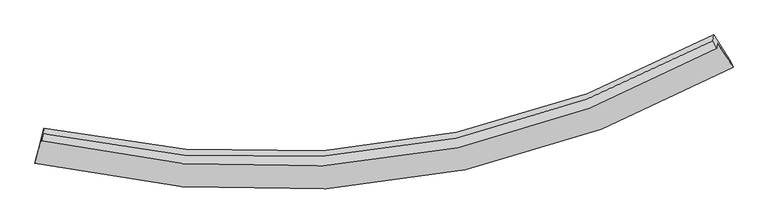
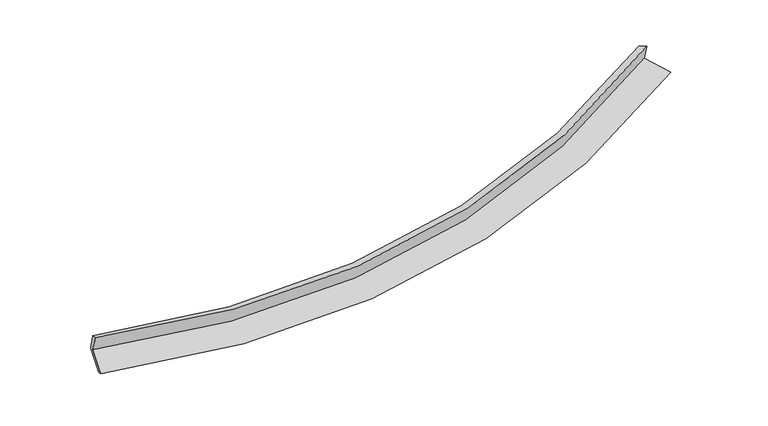
"""IFC4 building model written with IfcOpenShell, lengths in millimetres: proxy geometry."""

from ifc_helpers import new_model, si_unit, frame, origin, place, context, project, spatial, source, transform, mapped, element, save
from ifc_brep_helpers import plane_surface, spline_curve, spline_surface, advanced_brep


def generic_models_55dd3def(model_context):
    return source(origin(), model_context, "Body", "AdvancedBrep", [
        advanced_brep(
        [(-7933.9773545, -2122.8934309, 1436.7722311), (-8092.8765025, -2735.7479542, 1238.4485209), (7084.1227558, -648.0005684, 2474.8398529), (6742.305324, -110.4067566, 2631.1216184), (-7948.0429288, -2243.0825336, 1819.4468134), (6728.4761716, -228.575655, 3007.3639968), (-7913.3879292, -2093.7281631, 1767.4417717), (6646.4537891, -63.6593847, 2949.9113792), (-7898.6941139, -1968.1707954, 1367.6749692), (6660.7487669, 58.4899512, 2560.9955368), (-8057.0025587, -2578.747049, 1170.0885219), (7019.4170989, -505.6061358, 2397.0093999)],
        [
            (0, 1),
            (1, 2, spline_curve(3, [(-8092.8765025, -2735.7479542, 1238.4485209), (-4834.37552705, -3466.217026427, 1123.347778021), (-1716.715763638, -3511.774120448, 1224.156926682), (3265.351717403, -2441.736048836, 1754.224714656), (5206.691706056, -1700.263160259, 2065.546010667), (7084.1227558, -648.0005684, 2474.8398529)], [4, 2, 4], [0.0, 30.22442101676673, 50.58424034378216])),
            (2, 3),
            (3, 0, spline_curve(3, [(6742.305324, -110.4067566, 2631.1216184), (4927.920616336, -1136.940988857, 2232.225778858), (3051.290079192, -1858.976911097, 1929.387636847), (-1765.873892868, -2896.354628884, 1415.638886293), (-4781.337581911, -2845.147598183, 1320.360566423), (-7933.9773545, -2122.8934309, 1436.7722311)], [4, 2, 4], [0.0, 20.359819327015433, 50.58424034378216])),
            (4, 0),
            (3, 5),
            (5, 4, spline_curve(3, [(6728.4761716, -228.575655, 3007.3639968), (4914.144973042, -1254.652658594, 2607.012369085), (3037.533640457, -1976.524474627, 2303.65172442), (-1779.667843939, -3014.22273852, 1790.923571716), (-4795.229545544, -2963.853215301, 1698.311821825), (-7948.0429288, -2243.0825336, 1819.4468134)], [4, 2, 4], [0.0, 20.02284298843354, 49.74701817460621])),
            (6, 4),
            (5, 7),
            (7, 6, spline_curve(3, [(6646.4537891, -63.6593847, 2949.9113792), (4844.546789736, -1062.944225765, 2556.635041302), (2981.659611879, -1769.647893337, 2257.796099928), (-1798.214271862, -2798.540707182, 1749.957760662), (-4788.607667834, -2768.526632286, 1654.640165884), (-7913.3879292, -2093.7281631, 1767.4417717)], [4, 2, 4], [0.0, 19.93506505200033, 49.5289327308161])),
            (8, 6),
            (7, 9),
            (9, 8, spline_curve(3, [(6660.7487669, 58.4899512, 2560.9955368), (4858.836699469, -940.838192724, 2167.857073511), (2995.96803124, -1647.383700236, 1868.514558431), (-1783.801287938, -2675.383021264, 1357.831396111), (-4774.080247743, -2644.391096396, 1259.400388495), (-7898.6941139, -1968.1707954, 1367.6749692)], [4, 2, 4], [0.0, 19.847460338441138, 49.31127766154708])),
            (10, 8),
            (9, 11),
            (11, 10, spline_curve(3, [(7019.4170989, -505.6061358, 2397.0093999), (5151.716211127, -1539.414320849, 1990.623433753), (3221.621385985, -2269.071824499, 1681.551020685), (-1728.743290372, -3326.249153633, 1155.433333627), (-4824.121684815, -3287.638620563, 1055.532120493), (-8057.0025587, -2578.747049, 1170.0885219)], [4, 2, 4], [0.0, 20.19809067611985, 50.18242337203121])),
            (1, 10),
            (11, 2),
        ],
        [
            spline_surface(3, 3, [[(-7933.9773545, -2122.8934309, 1436.7722311), (-4781.337581732, -2845.147598422, 1320.360566386), (-1765.873892775, -2896.354629103, 1415.638886539), (3051.29007913, -1858.976910949, 1929.387636681), (4927.920616338, -1136.940988848, 2232.225778937), (6742.305324, -110.4067566, 2631.1216184)], [(-7986.943737181, -2327.178271978, 1370.664327709), (-4799.016896773, -3052.170741156, 1254.689637018), (-1749.487849606, -3101.494459513, 1351.811566537), (3122.643958494, -2053.229956945, 1870.999996051), (5020.844313036, -1324.715045892, 2176.665856126), (6856.244467948, -289.60469385, 2579.027696566)], [(-8039.910119819, -2531.463113122, 1304.556424291), (-4816.696211769, -3259.193883958, 1189.018707622), (-1733.101806478, -3306.63428991, 1287.984246514), (3193.997837818, -2247.483002927, 1812.6123554), (5113.76800969, -1512.489102986, 2121.105933317), (6970.183611852, -468.80263115, 2526.933774734)], [(-8092.8765025, -2735.7479542, 1238.4485209), (-4834.375526809, -3466.217026692, 1123.347778255), (-1716.715763309, -3511.77412032, 1224.156926512), (3265.351717182, -2441.736048922, 1754.22471477), (5206.691706388, -1700.26316003, 2065.546010507), (7084.1227558, -648.0005684, 2474.8398529)]], [4, 4], [4, 2, 4], [0.0, 2.100072744179125], [0.0, 30.22442101676673, 50.58424034378216]),
            spline_surface(3, 3, [[(-7948.0429288, -2243.0825336, 1819.4468134), (-4795.229545587, -2963.853215043, 1698.311821833), (-1779.66784427, -3014.222738492, 1790.923571707), (3037.53364068, -1976.524474647, 2303.651724426), (4914.144972846, -1254.652658312, 2607.012369012), (6728.4761716, -228.575655, 3007.3639968)], [(-7943.354404044, -2203.019499391, 1691.888619292), (-4790.59889098, -2924.284676194, 1572.328070009), (-1775.069860453, -2974.933368688, 1665.828676653), (3042.119120149, -1937.341953406, 2178.897028513), (4918.736854007, -1215.415435165, 2482.083505654), (6733.085889064, -189.186022208, 2881.949870667)], [(-7938.665879256, -2162.956465109, 1564.330425208), (-4785.96823634, -2884.716137271, 1446.34431821), (-1770.471876593, -2935.643998907, 1540.733781593), (3046.704599661, -1898.15943219, 2054.142332594), (4923.328735176, -1176.178211994, 2357.154642295), (6737.695606536, -149.796389392, 2756.535744533)], [(-7933.9773545, -2122.8934309, 1436.7722311), (-4781.337581732, -2845.147598422, 1320.360566386), (-1765.873892775, -2896.354629103, 1415.638886539), (3051.29007913, -1858.976910949, 1929.387636681), (4927.920616338, -1136.940988848, 2232.225778937), (6742.305324, -110.4067566, 2631.1216184)]], [4, 4], [4, 2, 4], [0.0, 1.2908362643951494], [0.0, 29.724175186172673, 49.74701817460621]),
            spline_surface(3, 3, [[(-7913.3879292, -2093.7281631, 1767.4417717), (-4788.607667417, -2768.526632351, 1654.64016597), (-1798.214272105, -2798.540707314, 1749.957760622), (2981.659612043, -1769.647893248, 2257.796099954), (4844.546789513, -1062.94422548, 2556.63504111), (6646.4537891, -63.6593847, 2949.9113792)], [(-7924.939595725, -2143.512953246, 1784.776785613), (-4790.814960132, -2833.635493228, 1669.197384604), (-1792.032129504, -2870.434717726, 1763.613030969), (3000.284288245, -1838.606753734, 2273.081308097), (4867.746183965, -1126.84703641, 2573.427483748), (6673.794583275, -118.631474786, 2969.062251737)], [(-7936.491262275, -2193.297743454, 1802.111799487), (-4793.022252873, -2898.744354166, 1683.754603199), (-1785.849986871, -2942.32872808, 1777.26830136), (3018.908964478, -1907.565614161, 2288.366516283), (4890.945578393, -1190.749847382, 2590.219926374), (6701.135377425, -173.603564914, 2988.213124263)], [(-7948.0429288, -2243.0825336, 1819.4468134), (-4795.229545587, -2963.853215043, 1698.311821833), (-1779.66784427, -3014.222738492, 1790.923571707), (3037.53364068, -1976.524474647, 2303.651724426), (4914.144972846, -1254.652658312, 2607.012369012), (6728.4761716, -228.575655, 3007.3639968)]], [4, 4], [4, 2, 4], [0.0, 0.7129549557822313], [0.0, 29.593867678815773, 49.5289327308161]),
            spline_surface(3, 3, [[(-7898.6941139, -1968.1707954, 1367.6749692), (-4774.080247283, -2644.391096802, 1259.400388071), (-1783.80128837, -2675.383021672, 1357.831395656), (2995.968031531, -1647.383699961, 1868.514558737), (4858.836699583, -940.838192885, 2167.857073723), (6660.7487669, 58.4899512, 2560.9955368)], [(-7903.592052348, -2010.023251303, 1500.930570015), (-4778.922720676, -2685.769608654, 1391.146980686), (-1788.605616262, -2716.435583559, 1488.540183977), (2991.198558388, -1688.138431063, 1998.275072475), (4854.073396221, -981.540203753, 2297.449729532), (6655.983774294, 17.773505897, 2690.634150947)], [(-7908.489990752, -2051.875707197, 1634.186170885), (-4783.765194025, -2727.148120499, 1522.893573355), (-1793.409944213, -2757.488145426, 1619.248972301), (2986.429085186, -1728.893162146, 2128.035586217), (4849.310092875, -1022.242214612, 2427.042385301), (6651.218781706, -22.942939397, 2820.272765053)], [(-7913.3879292, -2093.7281631, 1767.4417717), (-4788.607667417, -2768.526632351, 1654.64016597), (-1798.214272105, -2798.540707314, 1749.957760622), (2981.659612043, -1769.647893248, 2257.796099954), (4844.546789513, -1062.94422548, 2556.63504111), (6646.4537891, -63.6593847, 2949.9113792)]], [4, 4], [4, 2, 4], [0.0, 1.34669667847824], [0.0, 29.463817323105943, 49.31127766154708]),
            spline_surface(3, 3, [[(-8057.0025587, -2578.747049, 1170.0885219), (-4824.121684626, -3287.638620418, 1055.532120389), (-1728.743290373, -3326.249153407, 1155.433333436), (3221.621385985, -2269.071824651, 1681.551020814), (5151.716210893, -1539.414320627, 1990.623433767), (7019.4170989, -505.6061358, 2397.0093999)], [(-8004.23307707, -2375.221631123, 1235.950671003), (-4807.441205481, -3073.222779203, 1123.488209619), (-1747.095956372, -3109.293776161, 1222.899354193), (3146.403601167, -2061.842449753, 1743.872200139), (5054.089707118, -1339.888944722, 2049.701313737), (6899.860988228, -317.574106809, 2451.671445517)], [(-7951.46359553, -2171.696213277, 1301.812820097), (-4790.760726428, -2858.806938017, 1191.44429884), (-1765.448622371, -2892.338398918, 1290.365374899), (3071.185816349, -1854.613074858, 1806.193379413), (4956.463203358, -1140.36356879, 2108.779193754), (6780.304877572, -129.542077791, 2506.333491183)], [(-7898.6941139, -1968.1707954, 1367.6749692), (-4774.080247283, -2644.391096802, 1259.400388071), (-1783.80128837, -2675.383021672, 1357.831395656), (2995.968031531, -1647.383699961, 1868.514558737), (4858.836699583, -940.838192885, 2167.857073723), (6660.7487669, 58.4899512, 2560.9955368)]], [4, 4], [4, 2, 4], [0.0, 2.2247065793273464], [0.0, 29.98433269591136, 50.18242337203121]),
            spline_surface(3, 3, [[(-8092.8765025, -2735.7479542, 1238.4485209), (-4834.375526809, -3466.217026692, 1123.347778255), (-1716.715763309, -3511.77412032, 1224.156926512), (3265.351717182, -2441.736048922, 1754.22471477), (5206.691706388, -1700.26316003, 2065.546010507), (7084.1227558, -648.0005684, 2474.8398529)], [(-8080.918521232, -2683.414319159, 1215.661854568), (-4830.957579414, -3406.690891293, 1100.742558967), (-1720.724939005, -3449.932464661, 1201.249062144), (3250.774940108, -2384.181307477, 1730.000150108), (5188.366541214, -1646.64688024, 2040.571818259), (7062.554203491, -600.535757544, 2448.896368565)], [(-8068.960539968, -2631.080684041, 1192.875188232), (-4827.539632021, -3347.164755817, 1078.137339676), (-1724.734114676, -3388.090809066, 1178.341197804), (3236.198163059, -2326.626566096, 1705.775585476), (5170.041376067, -1593.030600418, 2015.597626015), (7040.985651209, -553.070946656, 2422.952884235)], [(-8057.0025587, -2578.747049, 1170.0885219), (-4824.121684626, -3287.638620418, 1055.532120389), (-1728.743290373, -3326.249153407, 1155.433333436), (3221.621385985, -2269.071824651, 1681.551020814), (5151.716210893, -1539.414320627, 1990.623433767), (7019.4170989, -505.6061358, 2397.0093999)]], [4, 4], [4, 2, 4], [0.0, 0.6388947643759503], [0.0, 30.61477056386488, 51.237537731928846]),
            plane_surface(frame((6813.5873177, -249.6264249, 2670.206964), z_axis=(0.8527740085462664, 0.4885036130040784, 0.1847720499152788), x_axis=(-0.035045517964367404, -0.29946088764091383, 0.9534647284739616))),
            plane_surface(frame((-7973.9968979, -2290.3949877, 1466.6454714), z_axis=(-0.9702629895714641, 0.23883338714363633, 0.03934900574783086), x_axis=(0.2395026988124642, 0.9237325316123396, 0.29892585586162335))),
        ],
        [
            (0, [[1, 2, 3, 4]]),
            (1, [[5, -4, 6, 7]]),
            (2, [[8, -7, 9, 10]]),
            (3, [[11, -10, 12, 13]]),
            (4, [[14, -13, 15, 16]]),
            (5, [[17, -16, 18, -2]]),
            (6, [[-12, -9, -6, -3, -18, -15]]),
            (7, [[-1, -5, -8, -11, -14, -17]]),
        ],
    ),
    ])


if __name__ == "__main__":
    model = new_model("IFC4")
    model_context = context("Model", 3, world=origin())
    ifc_project = project(units=[si_unit("LENGTHUNIT", "METRE", prefix="MILLI")], contexts=[model_context])
    site = spatial("IfcSite", under=ifc_project)
    building = spatial("IfcBuilding", under=site)
    placement = place(None, origin())
    generic_models_shape = generic_models_55dd3def(model_context)
    element("IfcBuildingElementProxy", 1, Name="Generic Models", at=placement, inside=building, context=model_context, shape_type="MappedRepresentation", body=[
        mapped(generic_models_shape, transform((0.0, 0.0, 0.0), x_axis=(1.0, 0.0, 0.0), y_axis=(0.0, 1.0, 0.0), z_axis=(0.0, 0.0, 1.0))),
    ])
    save(model, "model.ifc")
